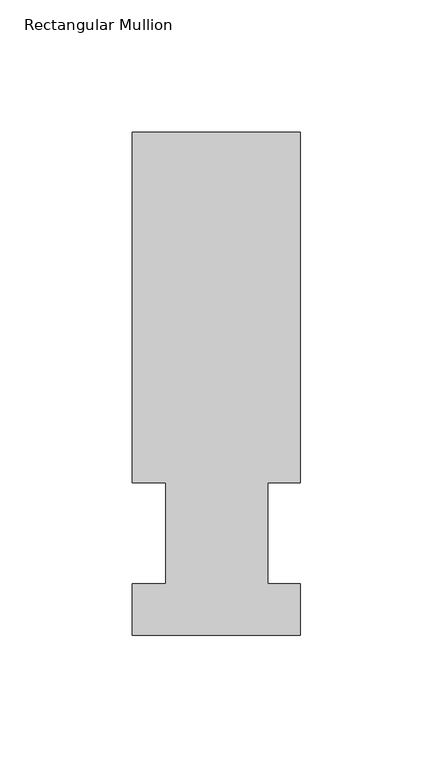
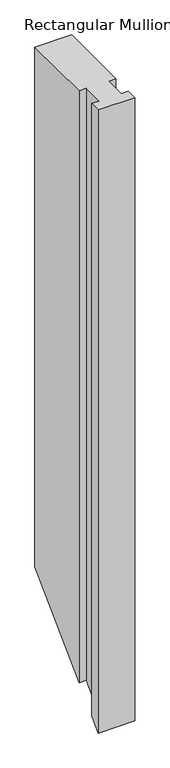
"""IFC4 building model written with IfcOpenShell, lengths in millimetres: member geometry, Rectangular Mullion."""

from ifc_helpers import new_model, si_unit, origin, place, context, project, spatial, faceted_brep, source, transform, mapped, element, save


def rectangular_mullion_1a32c75a(model_context):
    return source(origin(), model_context, "Body", "Brep", [
        faceted_brep([(-63.5, 57.6460937, 0.0), (-50.8, 57.6460937, 0.0), (-50.8, 19.5460937, 0.0), (-63.5, 19.5460937, 0.0), (-63.5, 0.0134938, 0.0), (0.0, 0.0134938, 0.0), (0.0, 19.5460937, 0.0), (-12.3418395, 19.5460937, 0.0), (-12.3418395, 57.6460937, 0.0), (0.0, 57.6460937, 0.0), (0.0, 190.0816937, 0.0), (-63.5, 190.0816937, 0.0), (-63.5, 57.6460937, -1084.8713063), (-50.8, 57.6460937, -1084.8713063), (-50.8, 19.5460937, -1122.9713063), (-63.5, 19.5460937, -1122.9713063), (-63.5, 0.0134938, -1142.5039062), (0.0, 0.0134938, -1142.5039062), (0.0, 19.5460937, -1122.9713063), (-12.3418395, 19.5460937, -1122.9713063), (-12.3418395, 57.6460937, -1084.8713063), (0.0, 57.6460937, -1084.8713063), (0.0, 190.0816937, -952.4357063), (-63.5, 190.0816937, -952.4357063)], [[[0, 1, 2, 3, 4, 5, 6, 7, 8, 9, 10, 11]], [[1, 0, 12, 13]], [[2, 1, 13, 14]], [[3, 2, 14, 15]], [[4, 3, 15, 16]], [[5, 4, 16, 17]], [[6, 5, 17, 18]], [[7, 6, 18, 19]], [[8, 7, 19, 20]], [[9, 8, 20, 21]], [[10, 9, 21, 22]], [[11, 10, 22, 23]], [[0, 11, 23, 12]], [[12, 23, 22, 21, 20, 19, 18, 17, 16, 15, 14, 13]]]),
    ])


if __name__ == "__main__":
    model = new_model("IFC4")
    model_context = context("Model", 3, world=origin())
    ifc_project = project(units=[si_unit("LENGTHUNIT", "METRE", prefix="MILLI")], contexts=[model_context])
    site = spatial("IfcSite", under=ifc_project)
    building = spatial("IfcBuilding", under=site)
    placement = place(None, origin())
    rectangular_mullion_shape = rectangular_mullion_1a32c75a(model_context)
    element("IfcMember", 1, ObjectType="Rectangular Mullion", at=placement, inside=building, context=model_context, shape_type="MappedRepresentation", body=[
        mapped(rectangular_mullion_shape, transform((0.0, 0.0, 0.0), x_axis=(1.0, 0.0, 0.0), y_axis=(0.0, 1.0, 0.0), z_axis=(0.0, 0.0, 1.0))),
    ])
    save(model, "model.ifc")
